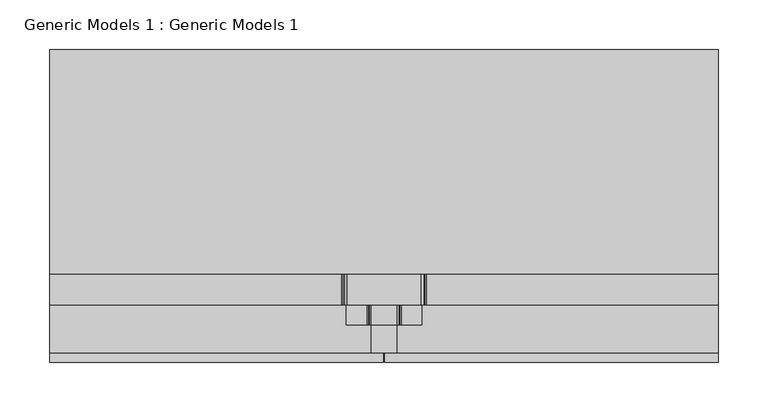
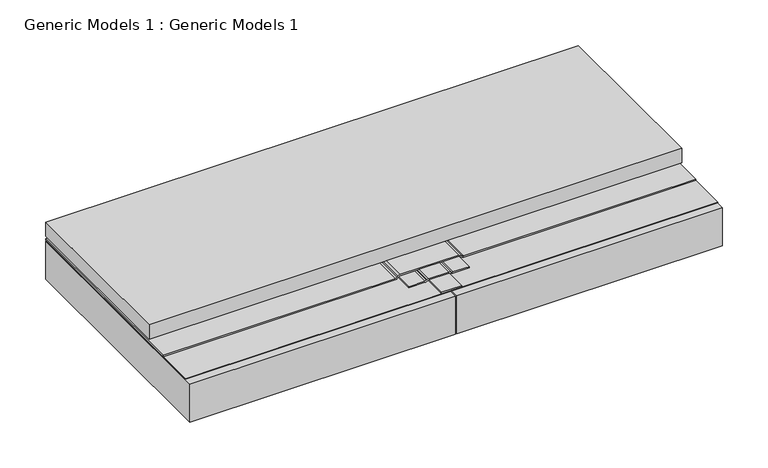
"""IFC4 building model written with IfcOpenShell, lengths in millimetres: proxy geometry, Generic Models 1 : Generic Models 1."""

import ifcopenshell
import ifcopenshell.guid

model = None  # the IFC model being written
_history = None  # IfcOwnerHistory: only IFC2X3 demands one
_inside = {}  # id of a spatial element -> (the spatial element, [elements in it])
_under = {}  # id of a project, library or spatial element -> (it, [spatial elements below it])
_declared = {}  # id of a project -> (the project, [libraries it declares])
_typed = {}  # id of a type object -> (the type object, [elements of that type])
_made_of = {}  # id of a material, layer set ... -> (it, [elements and type objects made of it])


def new_model(schema):
    """Start an empty IFC model of exactly this schema.

    Asked for "IFC4X3", IfcOpenShell would pick the latest addendum, in which some entities
    have other attributes; the version numbers below select the first issue.
    IFC2X3 requires an IfcOwnerHistory on every rooted entity: one is made here for all.
    """
    global model, _history
    if schema == "IFC4X3":
        model = ifcopenshell.file(schema_version=(4, 3, 0, 0))
    else:
        model = ifcopenshell.file(schema=schema)
    _inside.clear()
    _under.clear()
    _declared.clear()
    _typed.clear()
    _made_of.clear()
    _history = None
    if model.schema == "IFC2X3":
        org = make("IfcOrganization", Name="unknown")
        user = make(
            "IfcPersonAndOrganization",
            ThePerson=make("IfcPerson", FamilyName="unknown"),
            TheOrganization=org,
        )
        app = make(
            "IfcApplication",
            ApplicationDeveloper=org,
            Version="unknown",
            ApplicationFullName="unknown",
            ApplicationIdentifier="unknown",
        )
        _history = make(
            "IfcOwnerHistory",
            OwningUser=user,
            OwningApplication=app,
            ChangeAction="ADDED",
            CreationDate=0,
        )
    return model


def make(cls, **values):
    """One entity of the class cls with the attributes given. An attribute that is None is left unset."""
    return model.create_entity(
        cls, **{name: value for name, value in values.items() if value is not None}
    )


def rooted(cls, **values):
    """An entity with a GlobalId (a new one), such as an element, a storey or a relation."""
    return make(cls, GlobalId=ifcopenshell.guid.new(), OwnerHistory=_history, **values)


def si_unit(unit_type, name, prefix=None):
    """IfcSIUnit, for example si_unit("LENGTHUNIT", "METRE", prefix="MILLI")."""
    return make("IfcSIUnit", UnitType=unit_type, Prefix=prefix, Name=name)


def assignment(units):
    """IfcUnitAssignment: the units of a project."""
    return None if units is None else make("IfcUnitAssignment", Units=units)


def point(xyz):
    """IfcCartesianPoint."""
    return None if xyz is None else make("IfcCartesianPoint", Coordinates=xyz)


def direction(xyz):
    """IfcDirection."""
    return None if xyz is None else make("IfcDirection", DirectionRatios=xyz)


def frame(location, z_axis=None, x_axis=None):
    """IfcAxis2Placement3D, a coordinate frame: its origin and axes. An axis left out is left unset."""
    return make(
        "IfcAxis2Placement3D",
        Location=point(location),
        Axis=direction(z_axis),
        RefDirection=direction(x_axis),
    )


def frame_2d(location, x_axis=None):
    """IfcAxis2Placement2D, a coordinate frame in the plane: its origin and x axis."""
    return make(
        "IfcAxis2Placement2D", Location=point(location), RefDirection=direction(x_axis)
    )


def origin():
    """The frame at (0, 0, 0) with its axes left unset."""
    return frame((0.0, 0.0, 0.0))


def place(relative_to, where):
    """IfcLocalPlacement: puts the frame where relative to a parent placement (None: the world)."""
    return make(
        "IfcLocalPlacement", PlacementRelTo=relative_to, RelativePlacement=where
    )


def context(
    kind, dimensions, precision=None, world=None, true_north=None, identifier=None
):
    """IfcGeometricRepresentationContext, for example the 3D "Model" context."""
    return make(
        "IfcGeometricRepresentationContext",
        ContextIdentifier=identifier,
        ContextType=kind,
        CoordinateSpaceDimension=dimensions,
        Precision=precision,
        WorldCoordinateSystem=world,
        TrueNorth=true_north,
    )


def project(units=None, contexts=None):
    """IfcProject with its units and contexts."""
    return rooted(
        "IfcProject",
        Name="project",
        RepresentationContexts=contexts,
        UnitsInContext=assignment(units),
    )


def spatial(cls, under=None, at=None, **own):
    """A site, building, storey or space (cls), placed at a placement, below another one or the project."""
    s = rooted(cls, ObjectPlacement=at, **own)
    if under is not None:
        _under.setdefault(under.id(), (under, []))[1].append(s)
    return s


def polyline(points):
    """IfcPolyline through the points."""
    return make("IfcPolyline", Points=[point(p) for p in points])


def circle_curve(where, radius):
    """IfcCircle in the frame where."""
    return make("IfcCircle", Position=where, Radius=radius)


def trimmed(basis, trim1, trim2, sense, master):
    """IfcTrimmedCurve: the piece of a basis curve between two trims."""
    return make(
        "IfcTrimmedCurve",
        BasisCurve=basis,
        Trim1=trim1,
        Trim2=trim2,
        SenseAgreement=sense,
        MasterRepresentation=master,
    )


def segment(curve, same_sense, transition):
    """IfcCompositeCurveSegment."""
    return make(
        "IfcCompositeCurveSegment",
        Transition=transition,
        SameSense=same_sense,
        ParentCurve=curve,
    )


def composite_curve(segments, self_intersect=None):
    """IfcCompositeCurve: segments joined end to end."""
    return make("IfcCompositeCurve", Segments=segments, SelfIntersect=self_intersect)


def outline(outer, holes=None, kind="AREA"):
    """IfcArbitraryClosedProfileDef: a profile drawn as a closed curve; with holes, ...WithVoids."""
    if holes is None:
        return make("IfcArbitraryClosedProfileDef", ProfileType=kind, OuterCurve=outer)
    return make(
        "IfcArbitraryProfileDefWithVoids",
        ProfileType=kind,
        OuterCurve=outer,
        InnerCurves=holes,
    )


def extrude(swept, where, along, depth):
    """IfcExtrudedAreaSolid: the profile swept, set in the frame where, extruded along a direction by depth."""
    return make(
        "IfcExtrudedAreaSolid",
        SweptArea=swept,
        Position=where,
        ExtrudedDirection=direction(along),
        Depth=depth,
    )


def shape(context_of_items, identifier, shape_type, items):
    """IfcShapeRepresentation: the items that make up one representation, for example the "Body"."""
    return make(
        "IfcShapeRepresentation",
        ContextOfItems=context_of_items,
        RepresentationIdentifier=identifier,
        RepresentationType=shape_type,
        Items=items,
    )


def source(mapping_origin, context_of_items, identifier, shape_type, items):
    """IfcRepresentationMap: a shape defined once, which mapped items show again and again."""
    return make(
        "IfcRepresentationMap",
        MappingOrigin=mapping_origin,
        MappedRepresentation=shape(context_of_items, identifier, shape_type, items),
    )


def transform(
    local_origin,
    x_axis=None,
    y_axis=None,
    z_axis=None,
    scale=None,
    scale2=None,
    scale3=None,
    uniform=True,
):
    """IfcCartesianTransformationOperator3D, or its non-uniform kind. x_axis, y_axis, z_axis: its Axis1, 2, 3."""
    if uniform:
        return make(
            "IfcCartesianTransformationOperator3D",
            Axis1=direction(x_axis),
            Axis2=direction(y_axis),
            LocalOrigin=point(local_origin),
            Scale=scale,
            Axis3=direction(z_axis),
        )
    return make(
        "IfcCartesianTransformationOperator3DnonUniform",
        Axis1=direction(x_axis),
        Axis2=direction(y_axis),
        LocalOrigin=point(local_origin),
        Scale=scale,
        Axis3=direction(z_axis),
        Scale2=scale2,
        Scale3=scale3,
    )


def mapped(mapping_source, mapping_target):
    """IfcMappedItem: shows the shape of a source again, moved by a transform."""
    return make(
        "IfcMappedItem", MappingSource=mapping_source, MappingTarget=mapping_target
    )


def made_of(thing, what):
    """Note that an element or type object is made of a material, layer set ...; save() writes the relation."""
    if what is not None:
        _made_of.setdefault(what.id(), (what, []))[1].append(thing)
    return thing


def element(
    cls,
    number,
    at=None,
    inside=None,
    cuts=None,
    type_object=None,
    material=None,
    context=None,
    identifier="Body",
    shape_type=None,
    held_by="IfcProductDefinitionShape",
    body=None,
    shapes=None,
    **own,
):
    """One element of the class cls, such as IfcWall. Its Tag is "e" and its number.

    at: its placement. inside: the storey or other place that contains it. cuts: it is an
    opening in that element (IfcRelVoidsElement). A single representation is given by context,
    identifier, shape_type and body (its items); several are given by shapes. held_by: the class
    of the entity that holds the representations. save() writes the other relations.
    """
    e = rooted(cls, Tag="e%d" % number, ObjectPlacement=at, **own)
    if body is not None:
        shapes = [shape(context, identifier, shape_type, body)]
    if shapes is not None:
        e.Representation = make(held_by, Representations=shapes)
    if inside is not None:
        _inside.setdefault(inside.id(), (inside, []))[1].append(e)
    if cuts is not None:
        rooted(
            "IfcRelVoidsElement", RelatingBuildingElement=cuts, RelatedOpeningElement=e
        )
    if type_object is not None:
        _typed.setdefault(type_object.id(), (type_object, []))[1].append(e)
    return made_of(e, material)


def aggregate(whole, parts):
    """IfcRelAggregates: a whole, such as a stair, and the parts it consists of."""
    return rooted("IfcRelAggregates", RelatingObject=whole, RelatedObjects=parts)


def save(model, path):
    """Write the relations noted so far, then the file.

    IfcRelAggregates (storeys below a building ...), IfcRelContainedInSpatialStructure (elements
    in a storey), IfcRelDefinesByType, IfcRelAssociatesMaterial and IfcRelDeclares: one each for
    every whole, place, type object, material and project.
    """
    for whole, parts in _under.values():
        aggregate(whole, parts)
    for where, things in _inside.values():
        rooted(
            "IfcRelContainedInSpatialStructure",
            RelatedElements=things,
            RelatingStructure=where,
        )
    for kind, things in _typed.values():
        rooted("IfcRelDefinesByType", RelatedObjects=things, RelatingType=kind)
    for what, things in _made_of.values():
        rooted("IfcRelAssociatesMaterial", RelatedObjects=things, RelatingMaterial=what)
    for by, libraries in _declared.values():
        rooted("IfcRelDeclares", RelatingContext=by, RelatedDefinitions=libraries)
    model.write(path)


def generic_models_1_generic_models_1_cebdac42(model_context):
    return source(origin(), model_context, "Body", "SweptSolid", [
        extrude(outline(polyline([(387.35, 91.2346919), (-285.75, 91.2346919), (-285.75, 317.5), (387.35, 317.5), (387.35, 91.2346919)])), frame((0.0, 0.0, 194.46875), z_axis=(0.0, 0.0, 1.0), x_axis=(1.0, 0.0, 0.0)), (0.0, 0.0, 1.0), 19.05),
        extrude(outline(composite_curve([segment(polyline([(192.88125, 63.4926207), (192.88125, 38.1073793)]), True, "CONTINUOUS"), segment(trimmed(circle_curve(frame_2d((188.11875, 38.1073793)), 4.7625), [point((192.88125, 38.1073793))], [point((192.243196, 35.7261293))], False, "CARTESIAN"), True, "CONTINUOUS"), segment(polyline([(192.243196, 35.7261293), (191.7191193, 34.8184019)]), True, "CONTINUOUS"), segment(trimmed(circle_curve(frame_2d((194.46875, 33.2309019)), 3.175), [point((191.7191193, 34.8184019))], [point((191.29375, 33.2309019))], True, "CARTESIAN"), True, "CONTINUOUS"), segment(polyline([(191.29375, 33.2309019), (191.29375, 12.7), (189.70625, 12.7), (189.70625, 33.2309019)]), True, "CONTINUOUS"), segment(trimmed(circle_curve(frame_2d((194.46875, 33.2309019)), 4.7625), [point((189.70625, 33.2309019))], [point((190.344304, 35.6121519))], False, "CARTESIAN"), True, "CONTINUOUS"), segment(polyline([(190.344304, 35.6121519), (190.8683807, 36.5198793)]), True, "CONTINUOUS"), segment(trimmed(circle_curve(frame_2d((188.11875, 38.1073793)), 3.175), [point((190.8683807, 36.5198793))], [point((191.29375, 38.1073793))], True, "CARTESIAN"), True, "CONTINUOUS"), segment(polyline([(191.29375, 38.1073793), (191.29375, 63.4926207)]), True, "CONTINUOUS"), segment(trimmed(circle_curve(frame_2d((188.11875, 63.4926207)), 3.175), [point((191.29375, 63.4926207))], [point((190.8683807, 65.0801207))], True, "CARTESIAN"), True, "CONTINUOUS"), segment(polyline([(190.8683807, 65.0801207), (190.344304, 65.9878481)]), True, "CONTINUOUS"), segment(trimmed(circle_curve(frame_2d((194.46875, 68.3690981)), 4.7625), [point((190.344304, 65.9878481))], [point((189.70625, 68.3690981))], False, "CARTESIAN"), True, "CONTINUOUS"), segment(polyline([(189.70625, 68.3690981), (189.70625, 88.9), (191.29375, 88.9), (191.29375, 68.3690981)]), True, "CONTINUOUS"), segment(trimmed(circle_curve(frame_2d((194.46875, 68.3690981)), 3.175), [point((191.29375, 68.3690981))], [point((191.7191193, 66.7815981))], True, "CARTESIAN"), True, "CONTINUOUS"), segment(polyline([(191.7191193, 66.7815981), (192.243196, 65.8738707)]), True, "CONTINUOUS"), segment(trimmed(circle_curve(frame_2d((188.11875, 63.4926207)), 4.7625), [point((192.243196, 65.8738707))], [point((192.88125, 63.4926207))], False, "CARTESIAN"), True, "CONTINUOUS")], self_intersect=False)), frame((0.0, 39.8845984, 0.0), z_axis=(0.0, 1.0, 0.0), x_axis=(0.0, 0.0, 1.0)), (0.0, 0.0, 1.0), 277.6154016),
        extrude(outline(polyline([(38.1, 317.5), (63.5, 317.5), (63.5, 12.1207667), (38.1, 12.1207667), (38.1, 317.5)])), frame((0.0, 0.0, 189.70625), z_axis=(0.0, 0.0, 1.0), x_axis=(1.0, 0.0, 0.0)), (0.0, 0.0, 1.0), 1.5875),
        extrude(outline(composite_curve([segment(trimmed(circle_curve(frame_2d((194.46875, 7.5523079)), 4.7625), [point((189.70625, 7.5523079))], [point((191.101154, 10.919904))], False, "CARTESIAN"), True, "CONTINUOUS"), segment(polyline([(191.101154, 10.919904), (191.951314, 11.770064)]), True, "CONTINUOUS"), segment(trimmed(circle_curve(frame_2d((189.70625, 14.0151281)), 3.175), [point((191.951314, 11.770064))], [point((192.88125, 14.0151281))], True, "CARTESIAN"), True, "CONTINUOUS"), segment(polyline([(192.88125, 14.0151281), (192.88125, 87.5848719)]), True, "CONTINUOUS"), segment(trimmed(circle_curve(frame_2d((189.70625, 87.5848719)), 3.175), [point((192.88125, 87.5848719))], [point((191.951314, 89.829936))], True, "CARTESIAN"), True, "CONTINUOUS"), segment(polyline([(191.951314, 89.829936), (191.101154, 90.680096)]), True, "CONTINUOUS"), segment(trimmed(circle_curve(frame_2d((194.46875, 94.0476921)), 4.7625), [point((191.101154, 90.680096))], [point((189.70625, 94.0476921))], False, "CARTESIAN"), True, "CONTINUOUS"), segment(polyline([(189.70625, 94.0476921), (189.70625, 387.35), (191.29375, 387.35), (191.29375, 94.0476921)]), True, "CONTINUOUS"), segment(trimmed(circle_curve(frame_2d((194.46875, 94.0476921)), 3.175), [point((191.29375, 94.0476921))], [point((192.223686, 91.8026281))], True, "CARTESIAN"), True, "CONTINUOUS"), segment(polyline([(192.223686, 91.8026281), (193.073846, 90.952468)]), True, "CONTINUOUS"), segment(trimmed(circle_curve(frame_2d((189.70625, 87.5848719)), 4.7625), [point((193.073846, 90.952468))], [point((194.46875, 87.5848719))], False, "CARTESIAN"), True, "CONTINUOUS"), segment(polyline([(194.46875, 87.5848719), (194.46875, 14.0151281)]), True, "CONTINUOUS"), segment(trimmed(circle_curve(frame_2d((189.70625, 14.0151281)), 4.7625), [point((194.46875, 14.0151281))], [point((193.073846, 10.647532))], False, "CARTESIAN"), True, "CONTINUOUS"), segment(polyline([(193.073846, 10.647532), (192.223686, 9.7973719)]), True, "CONTINUOUS"), segment(trimmed(circle_curve(frame_2d((194.46875, 7.5523079)), 3.175), [point((192.223686, 9.7973719))], [point((191.29375, 7.5523079))], True, "CARTESIAN"), True, "CONTINUOUS"), segment(polyline([(191.29375, 7.5523079), (191.29375, -285.75), (189.70625, -285.75), (189.70625, 7.5523079)]), True, "CONTINUOUS")], self_intersect=False)), frame((0.0, 60.368829, 0.0), z_axis=(0.0, 1.0, 0.0), x_axis=(0.0, 0.0, 1.0)), (0.0, 0.0, 1.0), 257.131171),
        extrude(outline(polyline([(50.00625, 2.38125), (-285.75, 2.38125), (-285.75, 317.5), (50.00625, 317.5), (50.00625, 2.38125)])), frame((0.0, 0.0, 137.31875), z_axis=(0.0, 0.0, 1.0), x_axis=(1.0, 0.0, 0.0)), (0.0, 0.0, 1.0), 50.8),
        extrude(outline(polyline([(387.35, 12.1207667), (-285.75, 12.1207667), (-285.75, 317.5), (387.35, 317.5), (387.35, 12.1207667)])), frame((0.0, 0.0, 188.9125), z_axis=(0.0, 0.0, 1.0), x_axis=(1.0, 0.0, 0.0)), (0.0, 0.0, 1.0), 0.79375),
        extrude(outline(polyline([(387.35, 2.38125), (51.59375, 2.38125), (51.59375, 317.5), (387.35, 317.5), (387.35, 2.38125)])), frame((0.0, 0.0, 137.31875), z_axis=(0.0, 0.0, 1.0), x_axis=(1.0, 0.0, 0.0)), (0.0, 0.0, 1.0), 50.8),
    ])


if __name__ == "__main__":
    model = new_model("IFC4")
    model_context = context("Model", 3, world=origin())
    ifc_project = project(units=[si_unit("LENGTHUNIT", "METRE", prefix="MILLI")], contexts=[model_context])
    site = spatial("IfcSite", under=ifc_project)
    building = spatial("IfcBuilding", under=site)
    placement = place(None, origin())
    generic_models_1_generic_models_1_shape = generic_models_1_generic_models_1_cebdac42(model_context)
    element("IfcBuildingElementProxy", 1, Name="Generic Models 1 : Generic Models 1", ObjectType="Generic Models 1 : Generic Models 1", at=placement, inside=building, context=model_context, shape_type="MappedRepresentation", body=[
        mapped(generic_models_1_generic_models_1_shape, transform((0.0, 0.0, 0.0), x_axis=(1.0, 0.0, 0.0), y_axis=(0.0, 1.0, 0.0), z_axis=(0.0, 0.0, 1.0))),
    ])
    save(model, "model.ifc")
